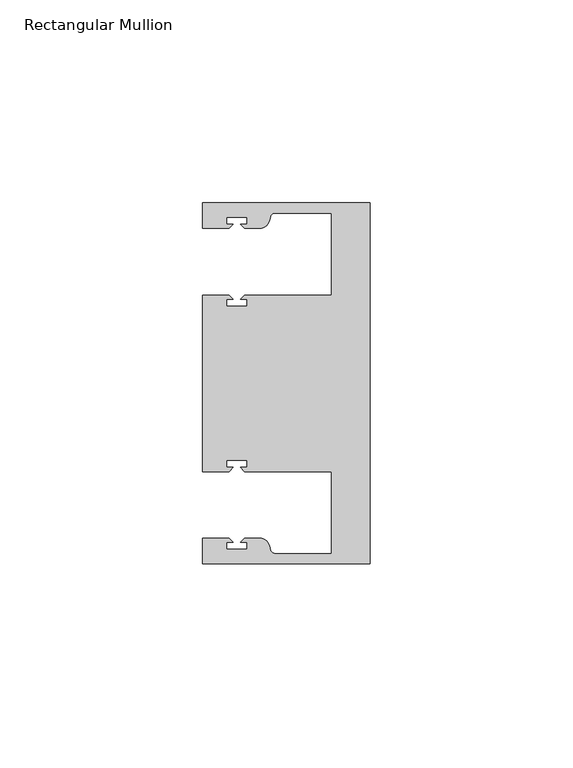
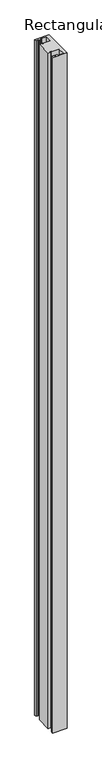
"""IFC4 building model written with IfcOpenShell, lengths in millimetres: member geometry, Rectangular Mullion."""

from ifc_helpers import new_model, si_unit, point, frame, frame_2d, origin, place, context, project, spatial, polyline, circle_curve, trimmed, segment, composite_curve, outline, extrude, source, transform, mapped, element, save


def rectangular_mullion_ce152780(model_context):
    return source(origin(), model_context, "Body", "SweptSolid", [
        extrude(outline(composite_curve([segment(polyline([(0.0, 44.45), (0.0, -44.45), (-41.275, -44.45), (-41.275, -38.1499897), (-34.8007531, -38.1499897), (-33.8007405, -39.1500023), (-35.3749778, -39.1500023), (-35.3749778, -40.9498819), (-30.3749831, -40.9498819), (-30.3749831, -39.1500023), (-31.949256, -39.1500023), (-30.9492503, -38.1499966), (-27.2637853, -38.1499966)]), True, "CONTINUOUS"), segment(trimmed(circle_curve(frame_2d((-27.2637853, -40.6499966)), 2.5), [point((-27.2637853, -38.1499966))], [point((-24.8489707, -40.002949))], False, "CARTESIAN"), True, "CONTINUOUS"), segment(polyline([(-24.8489707, -40.002949), (-24.5258588, -41.2088192)]), True, "CONTINUOUS"), segment(trimmed(circle_curve(frame_2d((-23.5599329, -40.9500001)), 1.0), [point((-24.5258588, -41.2088192))], [point((-23.5599329, -41.9500001))], True, "CARTESIAN"), True, "CONTINUOUS"), segment(polyline([(-23.5599329, -41.9500001), (-9.525, -41.95), (-9.525, -21.7499959), (-30.9492434, -21.7499959), (-31.949256, -20.7499834), (-30.3750186, -20.7499834), (-30.3750186, -18.949936), (-35.3750134, -18.949936), (-35.3750134, -20.7499834), (-33.8007405, -20.7499834), (-34.8007562, -21.749999), (-41.275, -21.749999), (-41.275, 21.749999), (-34.8007562, 21.749999), (-33.8007405, 20.7499834), (-35.3750134, 20.7499834), (-35.3750134, 18.949936), (-30.3750186, 18.949936), (-30.3750186, 20.7499834), (-31.949256, 20.7499834), (-30.9492434, 21.7499959), (-9.525, 21.7499959), (-9.525, 41.95), (-23.5599329, 41.95)]), True, "CONTINUOUS"), segment(trimmed(circle_curve(frame_2d((-23.5599329, 40.9500001)), 1.0), [point((-23.5599329, 41.95))], [point((-24.5258588, 41.2088192))], True, "CARTESIAN"), True, "CONTINUOUS"), segment(polyline([(-24.5258588, 41.2088192), (-24.8489707, 40.002949)]), True, "CONTINUOUS"), segment(trimmed(circle_curve(frame_2d((-27.2637853, 40.6499966)), 2.5), [point((-24.8489707, 40.002949))], [point((-27.2637853, 38.1499966))], False, "CARTESIAN"), True, "CONTINUOUS"), segment(polyline([(-27.2637853, 38.1499966), (-30.9492503, 38.1499966), (-31.949256, 39.1500023), (-30.3749831, 39.1500023), (-30.3749831, 40.9498819), (-35.3749778, 40.9498819), (-35.3749778, 39.1500023), (-33.8007405, 39.1500023), (-34.8007531, 38.1499897), (-41.2749977, 38.1499897), (-41.2749977, 44.45), (0.0, 44.45)]), True, "CONTINUOUS")], self_intersect=False)), frame((0.0, 0.0, -2032.0), z_axis=(0.0, 0.0, 1.0), x_axis=(1.0, 0.0, 0.0)), (0.0, 0.0, 1.0), 2032.0),
    ])


if __name__ == "__main__":
    model = new_model("IFC4")
    model_context = context("Model", 3, world=origin())
    ifc_project = project(units=[si_unit("LENGTHUNIT", "METRE", prefix="MILLI")], contexts=[model_context])
    site = spatial("IfcSite", under=ifc_project)
    building = spatial("IfcBuilding", under=site)
    placement = place(None, origin())
    rectangular_mullion_shape = rectangular_mullion_ce152780(model_context)
    element("IfcMember", 1, ObjectType="Rectangular Mullion", at=placement, inside=building, context=model_context, shape_type="MappedRepresentation", body=[
        mapped(rectangular_mullion_shape, transform((0.0, 0.0, 0.0), x_axis=(1.0, 0.0, 0.0), y_axis=(0.0, 1.0, 0.0), z_axis=(0.0, 0.0, 1.0))),
    ])
    save(model, "model.ifc")
